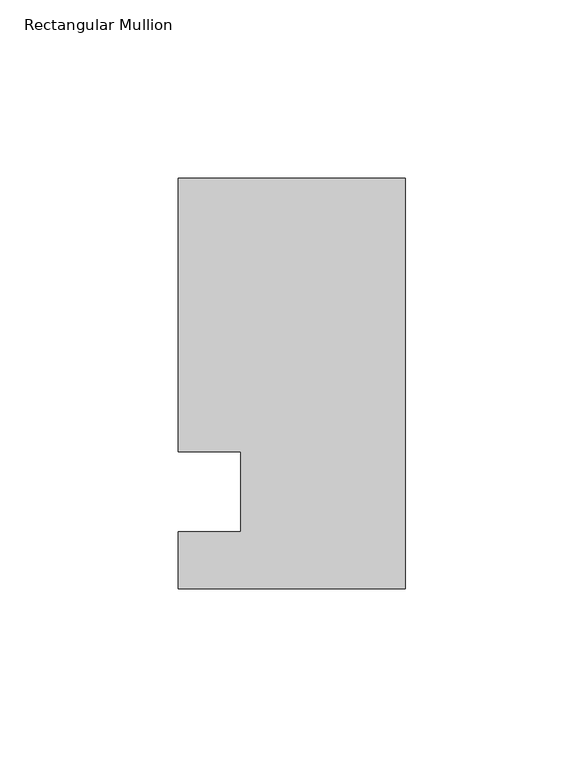
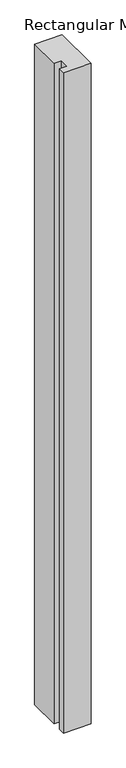
"""IFC4 building model written with IfcOpenShell, lengths in millimetres: member geometry, Rectangular Mullion."""

from ifc_helpers import new_model, si_unit, frame, origin, place, context, project, spatial, polyline, outline, extrude, source, transform, mapped, element, save


def rectangular_mullion_b5e93399(model_context):
    return source(origin(), model_context, "Body", "SweptSolid", [
        extrude(outline(polyline([(-63.5, 114.5309813), (0.0, 114.5309813), (0.0, -0.3532188), (-63.5, -0.3532188), (-63.5, 15.5217812), (-46.0375, 15.5217812), (-46.0375, 38.0007812), (-63.5, 38.0007812), (-63.5, 114.5309813)])), frame((0.0, 0.0, -1612.9), z_axis=(0.0, 0.0, 1.0), x_axis=(1.0, 0.0, 0.0)), (0.0, 0.0, 1.0), 1612.9),
    ])


if __name__ == "__main__":
    model = new_model("IFC4")
    model_context = context("Model", 3, world=origin())
    ifc_project = project(units=[si_unit("LENGTHUNIT", "METRE", prefix="MILLI")], contexts=[model_context])
    site = spatial("IfcSite", under=ifc_project)
    building = spatial("IfcBuilding", under=site)
    placement = place(None, origin())
    rectangular_mullion_shape = rectangular_mullion_b5e93399(model_context)
    element("IfcMember", 1, ObjectType="Rectangular Mullion", at=placement, inside=building, context=model_context, shape_type="MappedRepresentation", body=[
        mapped(rectangular_mullion_shape, transform((0.0, 0.0, 0.0), x_axis=(1.0, 0.0, 0.0), y_axis=(0.0, 1.0, 0.0), z_axis=(0.0, 0.0, 1.0))),
    ])
    save(model, "model.ifc")
